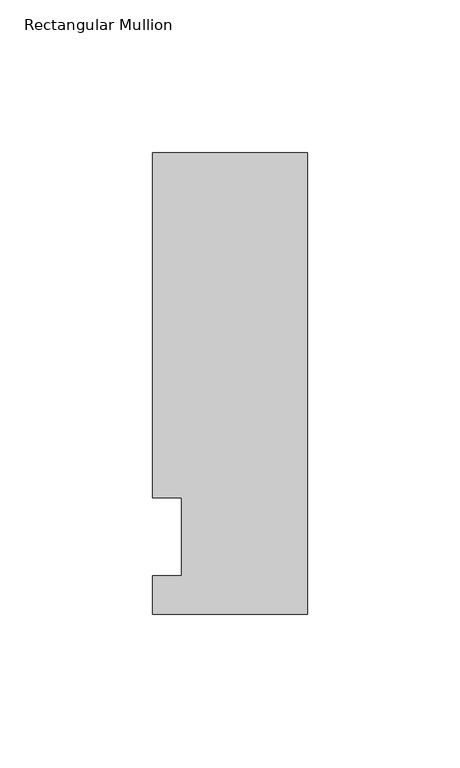
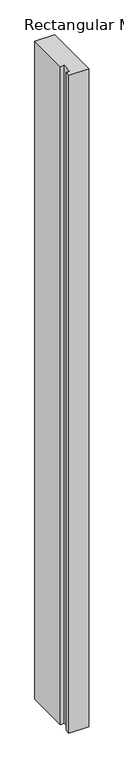
"""IFC4 building model written with IfcOpenShell, lengths in millimetres: member geometry, Rectangular Mullion."""

from ifc_helpers import new_model, si_unit, frame, origin, place, context, project, spatial, polyline, outline, extrude, source, transform, mapped, element, save


def rectangular_mullion_32ff6dd4(model_context):
    return source(origin(), model_context, "Body", "SweptSolid", [
        extrude(outline(polyline([(-50.8, -25.4508252), (-50.8, -12.7), (-41.275, -12.7), (-41.275, 12.7), (-50.8, 12.7), (-50.8, 125.8533), (0.0, 125.8533), (0.0, -25.4508252), (-50.8, -25.4508252)])), frame((0.0, 0.0, -1786.4666667), z_axis=(0.0, 0.0, 1.0), x_axis=(1.0, 0.0, 0.0)), (0.0, 0.0, 1.0), 1786.4666667),
    ])


if __name__ == "__main__":
    model = new_model("IFC4")
    model_context = context("Model", 3, world=origin())
    ifc_project = project(units=[si_unit("LENGTHUNIT", "METRE", prefix="MILLI")], contexts=[model_context])
    site = spatial("IfcSite", under=ifc_project)
    building = spatial("IfcBuilding", under=site)
    placement = place(None, origin())
    rectangular_mullion_shape = rectangular_mullion_32ff6dd4(model_context)
    element("IfcMember", 1, ObjectType="Rectangular Mullion", at=placement, inside=building, context=model_context, shape_type="MappedRepresentation", body=[
        mapped(rectangular_mullion_shape, transform((0.0, 0.0, 0.0), x_axis=(1.0, 0.0, 0.0), y_axis=(0.0, 1.0, 0.0), z_axis=(0.0, 0.0, 1.0))),
    ])
    save(model, "model.ifc")
